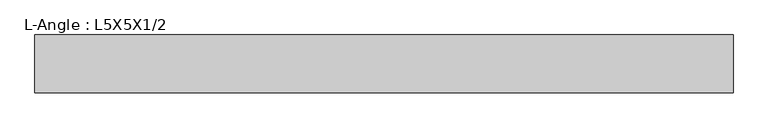
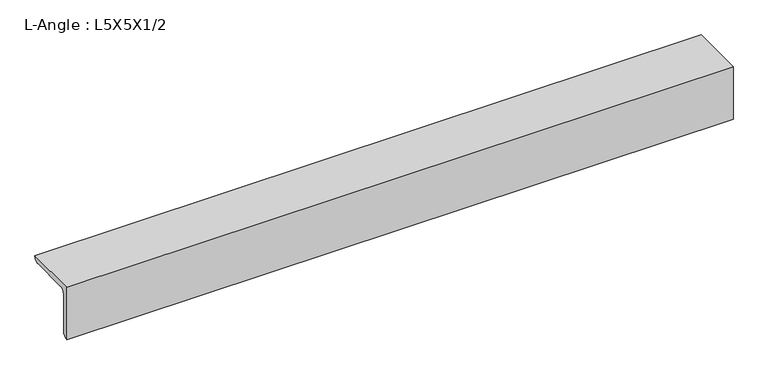
"""IFC4 building model written with IfcOpenShell, lengths in millimetres: beam geometry, L-Angle : L5X5X1/2."""

from ifc_helpers import new_model, si_unit, point, frame, frame_2d, origin, place, context, project, spatial, polyline, circle_curve, trimmed, segment, composite_curve, outline, extrude, source, transform, mapped, element, save


def l_angle_l5x5x1_2_6d8b200b(model_context):
    return source(origin(), model_context, "Body", "SweptSolid", [
        extrude(outline(composite_curve([segment(polyline([(-36.068, 36.068), (90.932, 36.068)]), True, "CONTINUOUS"), segment(trimmed(circle_curve(frame_2d((78.232, 36.068)), 12.7), [point((90.932, 36.068))], [point((78.232, 23.368))], False, "CARTESIAN"), True, "CONTINUOUS"), segment(polyline([(78.232, 23.368), (-10.668, 23.368)]), True, "CONTINUOUS"), segment(trimmed(circle_curve(frame_2d((-10.668, 10.668)), 12.7), [point((-10.668, 23.368))], [point((-23.368, 10.668))], True, "CARTESIAN"), True, "CONTINUOUS"), segment(polyline([(-23.368, 10.668), (-23.368, -78.232)]), True, "CONTINUOUS"), segment(trimmed(circle_curve(frame_2d((-36.068, -78.232)), 12.7), [point((-23.368, -78.232))], [point((-36.068, -90.932))], False, "CARTESIAN"), True, "CONTINUOUS"), segment(polyline([(-36.068, -90.932), (-36.068, 36.068)]), True, "CONTINUOUS")], self_intersect=False)), frame((-175.9152419, 0.0, 0.0), z_axis=(1.0, 0.0, 0.0), x_axis=(0.0, 1.0, 0.0)), (0.0, 0.0, 1.0), 1528.2449468),
    ])


if __name__ == "__main__":
    model = new_model("IFC4")
    model_context = context("Model", 3, world=origin())
    ifc_project = project(units=[si_unit("LENGTHUNIT", "METRE", prefix="MILLI")], contexts=[model_context])
    site = spatial("IfcSite", under=ifc_project)
    building = spatial("IfcBuilding", under=site)
    placement = place(None, origin())
    l_angle_l5x5x1_2_shape = l_angle_l5x5x1_2_6d8b200b(model_context)
    element("IfcBeam", 1, ObjectType="L-Angle : L5X5X1/2", at=placement, inside=building, context=model_context, shape_type="MappedRepresentation", body=[
        mapped(l_angle_l5x5x1_2_shape, transform((0.0, 0.0, 0.0), x_axis=(1.0, 0.0, 0.0), y_axis=(0.0, 1.0, 0.0), z_axis=(0.0, 0.0, 1.0))),
    ])
    save(model, "model.ifc")
